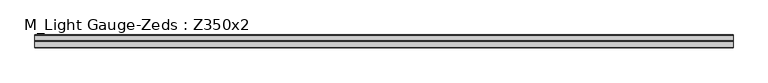
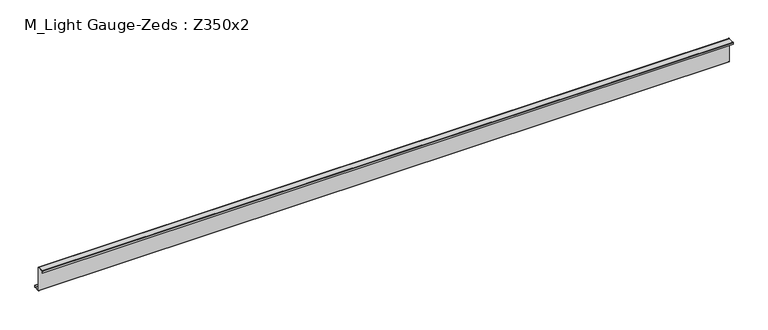
"""IFC4 building model written with IfcOpenShell, lengths in millimetres: beam geometry, M_Light Gauge-Zeds : Z350x2."""

import ifcopenshell
import ifcopenshell.guid

model = None  # the IFC model being written
_history = None  # IfcOwnerHistory: only IFC2X3 demands one
_inside = {}  # id of a spatial element -> (the spatial element, [elements in it])
_under = {}  # id of a project, library or spatial element -> (it, [spatial elements below it])
_declared = {}  # id of a project -> (the project, [libraries it declares])
_typed = {}  # id of a type object -> (the type object, [elements of that type])
_made_of = {}  # id of a material, layer set ... -> (it, [elements and type objects made of it])


def new_model(schema):
    """Start an empty IFC model of exactly this schema.

    Asked for "IFC4X3", IfcOpenShell would pick the latest addendum, in which some entities
    have other attributes; the version numbers below select the first issue.
    IFC2X3 requires an IfcOwnerHistory on every rooted entity: one is made here for all.
    """
    global model, _history
    if schema == "IFC4X3":
        model = ifcopenshell.file(schema_version=(4, 3, 0, 0))
    else:
        model = ifcopenshell.file(schema=schema)
    _inside.clear()
    _under.clear()
    _declared.clear()
    _typed.clear()
    _made_of.clear()
    _history = None
    if model.schema == "IFC2X3":
        org = make("IfcOrganization", Name="unknown")
        user = make(
            "IfcPersonAndOrganization",
            ThePerson=make("IfcPerson", FamilyName="unknown"),
            TheOrganization=org,
        )
        app = make(
            "IfcApplication",
            ApplicationDeveloper=org,
            Version="unknown",
            ApplicationFullName="unknown",
            ApplicationIdentifier="unknown",
        )
        _history = make(
            "IfcOwnerHistory",
            OwningUser=user,
            OwningApplication=app,
            ChangeAction="ADDED",
            CreationDate=0,
        )
    return model


def make(cls, **values):
    """One entity of the class cls with the attributes given. An attribute that is None is left unset."""
    return model.create_entity(
        cls, **{name: value for name, value in values.items() if value is not None}
    )


def rooted(cls, **values):
    """An entity with a GlobalId (a new one), such as an element, a storey or a relation."""
    return make(cls, GlobalId=ifcopenshell.guid.new(), OwnerHistory=_history, **values)


def si_unit(unit_type, name, prefix=None):
    """IfcSIUnit, for example si_unit("LENGTHUNIT", "METRE", prefix="MILLI")."""
    return make("IfcSIUnit", UnitType=unit_type, Prefix=prefix, Name=name)


def assignment(units):
    """IfcUnitAssignment: the units of a project."""
    return None if units is None else make("IfcUnitAssignment", Units=units)


def point(xyz):
    """IfcCartesianPoint."""
    return None if xyz is None else make("IfcCartesianPoint", Coordinates=xyz)


def direction(xyz):
    """IfcDirection."""
    return None if xyz is None else make("IfcDirection", DirectionRatios=xyz)


def frame(location, z_axis=None, x_axis=None):
    """IfcAxis2Placement3D, a coordinate frame: its origin and axes. An axis left out is left unset."""
    return make(
        "IfcAxis2Placement3D",
        Location=point(location),
        Axis=direction(z_axis),
        RefDirection=direction(x_axis),
    )


def frame_2d(location, x_axis=None):
    """IfcAxis2Placement2D, a coordinate frame in the plane: its origin and x axis."""
    return make(
        "IfcAxis2Placement2D", Location=point(location), RefDirection=direction(x_axis)
    )


def origin():
    """The frame at (0, 0, 0) with its axes left unset."""
    return frame((0.0, 0.0, 0.0))


def place(relative_to, where):
    """IfcLocalPlacement: puts the frame where relative to a parent placement (None: the world)."""
    return make(
        "IfcLocalPlacement", PlacementRelTo=relative_to, RelativePlacement=where
    )


def context(
    kind, dimensions, precision=None, world=None, true_north=None, identifier=None
):
    """IfcGeometricRepresentationContext, for example the 3D "Model" context."""
    return make(
        "IfcGeometricRepresentationContext",
        ContextIdentifier=identifier,
        ContextType=kind,
        CoordinateSpaceDimension=dimensions,
        Precision=precision,
        WorldCoordinateSystem=world,
        TrueNorth=true_north,
    )


def project(units=None, contexts=None):
    """IfcProject with its units and contexts."""
    return rooted(
        "IfcProject",
        Name="project",
        RepresentationContexts=contexts,
        UnitsInContext=assignment(units),
    )


def spatial(cls, under=None, at=None, **own):
    """A site, building, storey or space (cls), placed at a placement, below another one or the project."""
    s = rooted(cls, ObjectPlacement=at, **own)
    if under is not None:
        _under.setdefault(under.id(), (under, []))[1].append(s)
    return s


def polyline(points):
    """IfcPolyline through the points."""
    return make("IfcPolyline", Points=[point(p) for p in points])


def circle_curve(where, radius):
    """IfcCircle in the frame where."""
    return make("IfcCircle", Position=where, Radius=radius)


def trimmed(basis, trim1, trim2, sense, master):
    """IfcTrimmedCurve: the piece of a basis curve between two trims."""
    return make(
        "IfcTrimmedCurve",
        BasisCurve=basis,
        Trim1=trim1,
        Trim2=trim2,
        SenseAgreement=sense,
        MasterRepresentation=master,
    )


def segment(curve, same_sense, transition):
    """IfcCompositeCurveSegment."""
    return make(
        "IfcCompositeCurveSegment",
        Transition=transition,
        SameSense=same_sense,
        ParentCurve=curve,
    )


def composite_curve(segments, self_intersect=None):
    """IfcCompositeCurve: segments joined end to end."""
    return make("IfcCompositeCurve", Segments=segments, SelfIntersect=self_intersect)


def outline(outer, holes=None, kind="AREA"):
    """IfcArbitraryClosedProfileDef: a profile drawn as a closed curve; with holes, ...WithVoids."""
    if holes is None:
        return make("IfcArbitraryClosedProfileDef", ProfileType=kind, OuterCurve=outer)
    return make(
        "IfcArbitraryProfileDefWithVoids",
        ProfileType=kind,
        OuterCurve=outer,
        InnerCurves=holes,
    )


def extrude(swept, where, along, depth):
    """IfcExtrudedAreaSolid: the profile swept, set in the frame where, extruded along a direction by depth."""
    return make(
        "IfcExtrudedAreaSolid",
        SweptArea=swept,
        Position=where,
        ExtrudedDirection=direction(along),
        Depth=depth,
    )


def shape(context_of_items, identifier, shape_type, items):
    """IfcShapeRepresentation: the items that make up one representation, for example the "Body"."""
    return make(
        "IfcShapeRepresentation",
        ContextOfItems=context_of_items,
        RepresentationIdentifier=identifier,
        RepresentationType=shape_type,
        Items=items,
    )


def source(mapping_origin, context_of_items, identifier, shape_type, items):
    """IfcRepresentationMap: a shape defined once, which mapped items show again and again."""
    return make(
        "IfcRepresentationMap",
        MappingOrigin=mapping_origin,
        MappedRepresentation=shape(context_of_items, identifier, shape_type, items),
    )


def transform(
    local_origin,
    x_axis=None,
    y_axis=None,
    z_axis=None,
    scale=None,
    scale2=None,
    scale3=None,
    uniform=True,
):
    """IfcCartesianTransformationOperator3D, or its non-uniform kind. x_axis, y_axis, z_axis: its Axis1, 2, 3."""
    if uniform:
        return make(
            "IfcCartesianTransformationOperator3D",
            Axis1=direction(x_axis),
            Axis2=direction(y_axis),
            LocalOrigin=point(local_origin),
            Scale=scale,
            Axis3=direction(z_axis),
        )
    return make(
        "IfcCartesianTransformationOperator3DnonUniform",
        Axis1=direction(x_axis),
        Axis2=direction(y_axis),
        LocalOrigin=point(local_origin),
        Scale=scale,
        Axis3=direction(z_axis),
        Scale2=scale2,
        Scale3=scale3,
    )


def mapped(mapping_source, mapping_target):
    """IfcMappedItem: shows the shape of a source again, moved by a transform."""
    return make(
        "IfcMappedItem", MappingSource=mapping_source, MappingTarget=mapping_target
    )


def made_of(thing, what):
    """Note that an element or type object is made of a material, layer set ...; save() writes the relation."""
    if what is not None:
        _made_of.setdefault(what.id(), (what, []))[1].append(thing)
    return thing


def element(
    cls,
    number,
    at=None,
    inside=None,
    cuts=None,
    type_object=None,
    material=None,
    context=None,
    identifier="Body",
    shape_type=None,
    held_by="IfcProductDefinitionShape",
    body=None,
    shapes=None,
    **own,
):
    """One element of the class cls, such as IfcWall. Its Tag is "e" and its number.

    at: its placement. inside: the storey or other place that contains it. cuts: it is an
    opening in that element (IfcRelVoidsElement). A single representation is given by context,
    identifier, shape_type and body (its items); several are given by shapes. held_by: the class
    of the entity that holds the representations. save() writes the other relations.
    """
    e = rooted(cls, Tag="e%d" % number, ObjectPlacement=at, **own)
    if body is not None:
        shapes = [shape(context, identifier, shape_type, body)]
    if shapes is not None:
        e.Representation = make(held_by, Representations=shapes)
    if inside is not None:
        _inside.setdefault(inside.id(), (inside, []))[1].append(e)
    if cuts is not None:
        rooted(
            "IfcRelVoidsElement", RelatingBuildingElement=cuts, RelatedOpeningElement=e
        )
    if type_object is not None:
        _typed.setdefault(type_object.id(), (type_object, []))[1].append(e)
    return made_of(e, material)


def aggregate(whole, parts):
    """IfcRelAggregates: a whole, such as a stair, and the parts it consists of."""
    return rooted("IfcRelAggregates", RelatingObject=whole, RelatedObjects=parts)


def save(model, path):
    """Write the relations noted so far, then the file.

    IfcRelAggregates (storeys below a building ...), IfcRelContainedInSpatialStructure (elements
    in a storey), IfcRelDefinesByType, IfcRelAssociatesMaterial and IfcRelDeclares: one each for
    every whole, place, type object, material and project.
    """
    for whole, parts in _under.values():
        aggregate(whole, parts)
    for where, things in _inside.values():
        rooted(
            "IfcRelContainedInSpatialStructure",
            RelatedElements=things,
            RelatingStructure=where,
        )
    for kind, things in _typed.values():
        rooted("IfcRelDefinesByType", RelatedObjects=things, RelatingType=kind)
    for what, things in _made_of.values():
        rooted("IfcRelAssociatesMaterial", RelatedObjects=things, RelatingMaterial=what)
    for by, libraries in _declared.values():
        rooted("IfcRelDeclares", RelatingContext=by, RelatedDefinitions=libraries)
    model.write(path)


def m_light_gauge_zeds_z350x2_a7426bec(model_context):
    return source(origin(), model_context, "Body", "SweptSolid", [
        extrude(outline(composite_curve([segment(polyline([(0.0, -171.0), (0.0, 171.0)]), True, "CONTINUOUS"), segment(trimmed(circle_curve(frame_2d((-2.0, 171.0)), 2.0), [point((0.0, 171.0))], [point((-2.0, 173.0))], True, "CARTESIAN"), True, "CONTINUOUS"), segment(polyline([(-2.0, 173.0), (-90.0, 173.0)]), True, "CONTINUOUS"), segment(trimmed(circle_curve(frame_2d((-90.0, 171.0)), 2.0), [point((-90.0, 173.0))], [point((-92.0, 171.0))], True, "CARTESIAN"), True, "CONTINUOUS"), segment(polyline([(-92.0, 171.0), (-92.0, 145.0), (-94.0, 145.0), (-94.0, 171.0)]), True, "CONTINUOUS"), segment(trimmed(circle_curve(frame_2d((-90.0, 171.0)), 4.0), [point((-94.0, 171.0))], [point((-90.0, 175.0))], False, "CARTESIAN"), True, "CONTINUOUS"), segment(polyline([(-90.0, 175.0), (-2.0, 175.0)]), True, "CONTINUOUS"), segment(trimmed(circle_curve(frame_2d((-2.0, 171.0)), 4.0), [point((-2.0, 175.0))], [point((2.0, 171.0))], False, "CARTESIAN"), True, "CONTINUOUS"), segment(polyline([(2.0, 171.0), (2.0, -171.0)]), True, "CONTINUOUS"), segment(trimmed(circle_curve(frame_2d((4.0, -171.0)), 2.0), [point((2.0, -171.0))], [point((4.0, -173.0))], True, "CARTESIAN"), True, "CONTINUOUS"), segment(polyline([(4.0, -173.0), (82.0, -173.0)]), True, "CONTINUOUS"), segment(trimmed(circle_curve(frame_2d((82.0, -171.0)), 2.0), [point((82.0, -173.0))], [point((84.0, -171.0))], True, "CARTESIAN"), True, "CONTINUOUS"), segment(polyline([(84.0, -171.0), (84.0, -145.0), (86.0, -145.0), (86.0, -171.0)]), True, "CONTINUOUS"), segment(trimmed(circle_curve(frame_2d((82.0, -171.0)), 4.0), [point((86.0, -171.0))], [point((82.0, -175.0))], False, "CARTESIAN"), True, "CONTINUOUS"), segment(polyline([(82.0, -175.0), (4.0, -175.0)]), True, "CONTINUOUS"), segment(trimmed(circle_curve(frame_2d((4.0, -171.0)), 4.0), [point((4.0, -175.0))], [point((0.0, -171.0))], False, "CARTESIAN"), True, "CONTINUOUS")], self_intersect=False)), frame((-4887.3, 0.0, 0.0), z_axis=(1.0, 0.0, 0.0), x_axis=(0.0, 1.0, 0.0)), (0.0, 0.0, 1.0), 9672.6551142),
    ])


if __name__ == "__main__":
    model = new_model("IFC4")
    model_context = context("Model", 3, world=origin())
    ifc_project = project(units=[si_unit("LENGTHUNIT", "METRE", prefix="MILLI")], contexts=[model_context])
    site = spatial("IfcSite", under=ifc_project)
    building = spatial("IfcBuilding", under=site)
    placement = place(None, origin())
    m_light_gauge_zeds_z350x2_shape = m_light_gauge_zeds_z350x2_a7426bec(model_context)
    element("IfcBeam", 1, ObjectType="M_Light Gauge-Zeds : Z350x2", at=placement, inside=building, context=model_context, shape_type="MappedRepresentation", body=[
        mapped(m_light_gauge_zeds_z350x2_shape, transform((0.0, 0.0, 0.0), x_axis=(1.0, 0.0, 0.0), y_axis=(0.0, 1.0, 0.0), z_axis=(0.0, 0.0, 1.0))),
    ])
    save(model, "model.ifc")
